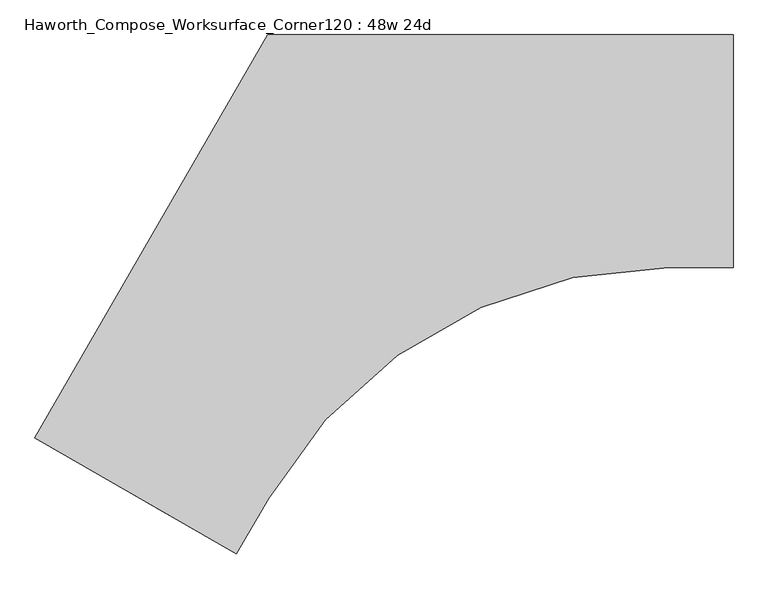
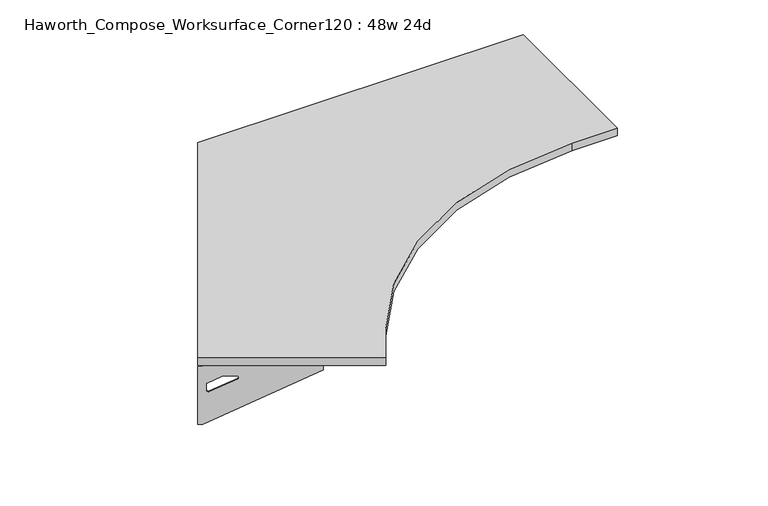
"""IFC4 building model written with IfcOpenShell, lengths in millimetres: furniture geometry, Haworth_Compose_Worksurface_Corner120 : 48w 24d."""

import ifcopenshell
import ifcopenshell.guid

model = None  # the IFC model being written
_history = None  # IfcOwnerHistory: only IFC2X3 demands one
_inside = {}  # id of a spatial element -> (the spatial element, [elements in it])
_under = {}  # id of a project, library or spatial element -> (it, [spatial elements below it])
_declared = {}  # id of a project -> (the project, [libraries it declares])
_typed = {}  # id of a type object -> (the type object, [elements of that type])
_made_of = {}  # id of a material, layer set ... -> (it, [elements and type objects made of it])


def new_model(schema):
    """Start an empty IFC model of exactly this schema.

    Asked for "IFC4X3", IfcOpenShell would pick the latest addendum, in which some entities
    have other attributes; the version numbers below select the first issue.
    IFC2X3 requires an IfcOwnerHistory on every rooted entity: one is made here for all.
    """
    global model, _history
    if schema == "IFC4X3":
        model = ifcopenshell.file(schema_version=(4, 3, 0, 0))
    else:
        model = ifcopenshell.file(schema=schema)
    _inside.clear()
    _under.clear()
    _declared.clear()
    _typed.clear()
    _made_of.clear()
    _history = None
    if model.schema == "IFC2X3":
        org = make("IfcOrganization", Name="unknown")
        user = make(
            "IfcPersonAndOrganization",
            ThePerson=make("IfcPerson", FamilyName="unknown"),
            TheOrganization=org,
        )
        app = make(
            "IfcApplication",
            ApplicationDeveloper=org,
            Version="unknown",
            ApplicationFullName="unknown",
            ApplicationIdentifier="unknown",
        )
        _history = make(
            "IfcOwnerHistory",
            OwningUser=user,
            OwningApplication=app,
            ChangeAction="ADDED",
            CreationDate=0,
        )
    return model


def make(cls, **values):
    """One entity of the class cls with the attributes given. An attribute that is None is left unset."""
    return model.create_entity(
        cls, **{name: value for name, value in values.items() if value is not None}
    )


def rooted(cls, **values):
    """An entity with a GlobalId (a new one), such as an element, a storey or a relation."""
    return make(cls, GlobalId=ifcopenshell.guid.new(), OwnerHistory=_history, **values)


def si_unit(unit_type, name, prefix=None):
    """IfcSIUnit, for example si_unit("LENGTHUNIT", "METRE", prefix="MILLI")."""
    return make("IfcSIUnit", UnitType=unit_type, Prefix=prefix, Name=name)


def assignment(units):
    """IfcUnitAssignment: the units of a project."""
    return None if units is None else make("IfcUnitAssignment", Units=units)


def point(xyz):
    """IfcCartesianPoint."""
    return None if xyz is None else make("IfcCartesianPoint", Coordinates=xyz)


def direction(xyz):
    """IfcDirection."""
    return None if xyz is None else make("IfcDirection", DirectionRatios=xyz)


def frame(location, z_axis=None, x_axis=None):
    """IfcAxis2Placement3D, a coordinate frame: its origin and axes. An axis left out is left unset."""
    return make(
        "IfcAxis2Placement3D",
        Location=point(location),
        Axis=direction(z_axis),
        RefDirection=direction(x_axis),
    )


def frame_2d(location, x_axis=None):
    """IfcAxis2Placement2D, a coordinate frame in the plane: its origin and x axis."""
    return make(
        "IfcAxis2Placement2D", Location=point(location), RefDirection=direction(x_axis)
    )


def origin():
    """The frame at (0, 0, 0) with its axes left unset."""
    return frame((0.0, 0.0, 0.0))


def place(relative_to, where):
    """IfcLocalPlacement: puts the frame where relative to a parent placement (None: the world)."""
    return make(
        "IfcLocalPlacement", PlacementRelTo=relative_to, RelativePlacement=where
    )


def context(
    kind, dimensions, precision=None, world=None, true_north=None, identifier=None
):
    """IfcGeometricRepresentationContext, for example the 3D "Model" context."""
    return make(
        "IfcGeometricRepresentationContext",
        ContextIdentifier=identifier,
        ContextType=kind,
        CoordinateSpaceDimension=dimensions,
        Precision=precision,
        WorldCoordinateSystem=world,
        TrueNorth=true_north,
    )


def project(units=None, contexts=None):
    """IfcProject with its units and contexts."""
    return rooted(
        "IfcProject",
        Name="project",
        RepresentationContexts=contexts,
        UnitsInContext=assignment(units),
    )


def spatial(cls, under=None, at=None, **own):
    """A site, building, storey or space (cls), placed at a placement, below another one or the project."""
    s = rooted(cls, ObjectPlacement=at, **own)
    if under is not None:
        _under.setdefault(under.id(), (under, []))[1].append(s)
    return s


def polyline(points):
    """IfcPolyline through the points."""
    return make("IfcPolyline", Points=[point(p) for p in points])


def circle_curve(where, radius):
    """IfcCircle in the frame where."""
    return make("IfcCircle", Position=where, Radius=radius)


def trimmed(basis, trim1, trim2, sense, master):
    """IfcTrimmedCurve: the piece of a basis curve between two trims."""
    return make(
        "IfcTrimmedCurve",
        BasisCurve=basis,
        Trim1=trim1,
        Trim2=trim2,
        SenseAgreement=sense,
        MasterRepresentation=master,
    )


def segment(curve, same_sense, transition):
    """IfcCompositeCurveSegment."""
    return make(
        "IfcCompositeCurveSegment",
        Transition=transition,
        SameSense=same_sense,
        ParentCurve=curve,
    )


def composite_curve(segments, self_intersect=None):
    """IfcCompositeCurve: segments joined end to end."""
    return make("IfcCompositeCurve", Segments=segments, SelfIntersect=self_intersect)


def outline(outer, holes=None, kind="AREA"):
    """IfcArbitraryClosedProfileDef: a profile drawn as a closed curve; with holes, ...WithVoids."""
    if holes is None:
        return make("IfcArbitraryClosedProfileDef", ProfileType=kind, OuterCurve=outer)
    return make(
        "IfcArbitraryProfileDefWithVoids",
        ProfileType=kind,
        OuterCurve=outer,
        InnerCurves=holes,
    )


def extrude(swept, where, along, depth):
    """IfcExtrudedAreaSolid: the profile swept, set in the frame where, extruded along a direction by depth."""
    return make(
        "IfcExtrudedAreaSolid",
        SweptArea=swept,
        Position=where,
        ExtrudedDirection=direction(along),
        Depth=depth,
    )


def shape(context_of_items, identifier, shape_type, items):
    """IfcShapeRepresentation: the items that make up one representation, for example the "Body"."""
    return make(
        "IfcShapeRepresentation",
        ContextOfItems=context_of_items,
        RepresentationIdentifier=identifier,
        RepresentationType=shape_type,
        Items=items,
    )


def source(mapping_origin, context_of_items, identifier, shape_type, items):
    """IfcRepresentationMap: a shape defined once, which mapped items show again and again."""
    return make(
        "IfcRepresentationMap",
        MappingOrigin=mapping_origin,
        MappedRepresentation=shape(context_of_items, identifier, shape_type, items),
    )


def transform(
    local_origin,
    x_axis=None,
    y_axis=None,
    z_axis=None,
    scale=None,
    scale2=None,
    scale3=None,
    uniform=True,
):
    """IfcCartesianTransformationOperator3D, or its non-uniform kind. x_axis, y_axis, z_axis: its Axis1, 2, 3."""
    if uniform:
        return make(
            "IfcCartesianTransformationOperator3D",
            Axis1=direction(x_axis),
            Axis2=direction(y_axis),
            LocalOrigin=point(local_origin),
            Scale=scale,
            Axis3=direction(z_axis),
        )
    return make(
        "IfcCartesianTransformationOperator3DnonUniform",
        Axis1=direction(x_axis),
        Axis2=direction(y_axis),
        LocalOrigin=point(local_origin),
        Scale=scale,
        Axis3=direction(z_axis),
        Scale2=scale2,
        Scale3=scale3,
    )


def mapped(mapping_source, mapping_target):
    """IfcMappedItem: shows the shape of a source again, moved by a transform."""
    return make(
        "IfcMappedItem", MappingSource=mapping_source, MappingTarget=mapping_target
    )


def made_of(thing, what):
    """Note that an element or type object is made of a material, layer set ...; save() writes the relation."""
    if what is not None:
        _made_of.setdefault(what.id(), (what, []))[1].append(thing)
    return thing


def element(
    cls,
    number,
    at=None,
    inside=None,
    cuts=None,
    type_object=None,
    material=None,
    context=None,
    identifier="Body",
    shape_type=None,
    held_by="IfcProductDefinitionShape",
    body=None,
    shapes=None,
    **own,
):
    """One element of the class cls, such as IfcWall. Its Tag is "e" and its number.

    at: its placement. inside: the storey or other place that contains it. cuts: it is an
    opening in that element (IfcRelVoidsElement). A single representation is given by context,
    identifier, shape_type and body (its items); several are given by shapes. held_by: the class
    of the entity that holds the representations. save() writes the other relations.
    """
    e = rooted(cls, Tag="e%d" % number, ObjectPlacement=at, **own)
    if body is not None:
        shapes = [shape(context, identifier, shape_type, body)]
    if shapes is not None:
        e.Representation = make(held_by, Representations=shapes)
    if inside is not None:
        _inside.setdefault(inside.id(), (inside, []))[1].append(e)
    if cuts is not None:
        rooted(
            "IfcRelVoidsElement", RelatingBuildingElement=cuts, RelatedOpeningElement=e
        )
    if type_object is not None:
        _typed.setdefault(type_object.id(), (type_object, []))[1].append(e)
    return made_of(e, material)


def aggregate(whole, parts):
    """IfcRelAggregates: a whole, such as a stair, and the parts it consists of."""
    return rooted("IfcRelAggregates", RelatingObject=whole, RelatedObjects=parts)


def save(model, path):
    """Write the relations noted so far, then the file.

    IfcRelAggregates (storeys below a building ...), IfcRelContainedInSpatialStructure (elements
    in a storey), IfcRelDefinesByType, IfcRelAssociatesMaterial and IfcRelDeclares: one each for
    every whole, place, type object, material and project.
    """
    for whole, parts in _under.values():
        aggregate(whole, parts)
    for where, things in _inside.values():
        rooted(
            "IfcRelContainedInSpatialStructure",
            RelatedElements=things,
            RelatingStructure=where,
        )
    for kind, things in _typed.values():
        rooted("IfcRelDefinesByType", RelatedObjects=things, RelatingType=kind)
    for what, things in _made_of.values():
        rooted("IfcRelAssociatesMaterial", RelatedObjects=things, RelatingMaterial=what)
    for by, libraries in _declared.values():
        rooted("IfcRelDeclares", RelatingContext=by, RelatedDefinitions=libraries)
    model.write(path)


def plane_surface(at):
    """IfcPlane: the flat surface through the origin of the frame at, square to its z axis."""
    return make("IfcPlane", Position=at)


def revolved_surface(curve, axis_point, axis_direction):
    """IfcSurfaceOfRevolution: the curve turned about the line through axis_point along axis_direction."""
    return make(
        "IfcSurfaceOfRevolution",
        SweptCurve=make("IfcArbitraryOpenProfileDef", ProfileType="CURVE", Curve=curve),
        AxisPosition=make("IfcAxis1Placement", Location=point(axis_point), Axis=direction(axis_direction)),
    )


def advanced_brep(points, edges, surfaces, faces):
    """IfcAdvancedBrep: a solid bounded by faces that lie on surfaces and meet in shared edges.

    An edge is (start, end): straight between two places in points (the first is 0);
    or (start, end, curve); or (start, end, curve, False) where it runs against its curve.
    A face is (place in surfaces, loops), or (place, loops, False) where it looks against
    its surface's normal. A loop lists edges by number (the first is 1), with a minus sign
    where the edge is run from its end to its start. The first loop is the outer one.
    """
    corners = [point(p) for p in points]
    vertices = [make("IfcVertexPoint", VertexGeometry=c) for c in corners]
    made = []
    for start, end, *more in edges:
        made.append(
            make(
                "IfcEdgeCurve",
                EdgeStart=vertices[start],
                EdgeEnd=vertices[end],
                EdgeGeometry=more[0] if more else make("IfcPolyline", Points=[corners[start], corners[end]]),
                SameSense=more[1] if len(more) > 1 else True,
            )
        )
    hull = []
    for where, loops, *sense in faces:
        bounds = []
        for j, loop in enumerate(loops):
            ring = [make("IfcOrientedEdge", EdgeElement=made[abs(k) - 1], Orientation=k > 0) for k in loop]
            bounds.append(
                make(
                    "IfcFaceOuterBound" if j == 0 else "IfcFaceBound",
                    Bound=make("IfcEdgeLoop", EdgeList=ring),
                    Orientation=True,
                )
            )
        hull.append(make("IfcAdvancedFace", Bounds=bounds, FaceSurface=surfaces[where], SameSense=sense[0] if sense else True))
    return make("IfcAdvancedBrep", Outer=make("IfcClosedShell", CfsFaces=hull))


def haworth_compose_worksurface_corner120_48w_24d_91adaca6(model_context):
    return source(origin(), model_context, "Body", "SolidModel", [
        advanced_brep(
        [(454.81875, 304.8, 473.86875), (454.81875, 288.925, 473.86875), (454.81875, -101.6, 690.1317568), (454.81875, -101.6, 702.46875), (454.81875, 288.925, 702.46875), (454.81875, 304.8, 702.46875), (454.81875, 221.490072, 664.36875), (454.81875, 177.8355284, 664.36875), (454.81875, 175.1564235, 654.7830539), (454.81875, 266.8776173, 603.9901439), (454.81875, 276.225, 609.5881969), (454.81875, 276.225, 633.0985246), (454.81875, 274.4730055, 635.9367776), (454.81875, 224.5663437, 663.5738425), (457.2, 304.8, 473.86875), (457.2, 304.8, 702.46875), (457.2, 288.925, 702.46875), (457.2, 288.925, 704.85), (457.2, -101.6, 704.85), (457.2, -101.6, 690.1317568), (457.2, 288.925, 473.86875), (457.2, 221.490072, 664.36875), (457.2, 224.5663437, 663.5738425), (457.2, 274.4730055, 635.9367776), (457.2, 276.225, 633.0985246), (457.2, 276.225, 609.5881969), (457.2, 266.8776173, 603.9901439), (457.2, 175.1564235, 654.7830539), (457.2, 177.8355284, 664.36875), (415.925, -101.6, 704.85), (415.925, -101.6, 702.46875), (415.925, 288.925, 702.46875), (415.925, 288.925, 704.85)],
        [
            (0, 1),
            (1, 2),
            (2, 3),
            (3, 4),
            (4, 5),
            (5, 0),
            (6, 7),
            (7, 8, circle_curve(frame((454.81875, 177.8355284, 659.2015106), z_axis=(1.0, 0.0, 0.0), x_axis=(0.0, -1.0, 0.0)), 5.1672394)),
            (8, 9),
            (9, 10, circle_curve(frame((454.81875, 269.875, 609.5881969), z_axis=(1.0, 0.0, 0.0), x_axis=(0.0, -1.0, 0.0)), 6.35)),
            (10, 11),
            (11, 12, circle_curve(frame((454.81875, 273.05, 633.0985246), z_axis=(1.0, 0.0, 0.0), x_axis=(0.0, -1.0, 0.0)), 3.175)),
            (12, 13),
            (13, 6, circle_curve(frame((454.81875, 221.490072, 658.01875), z_axis=(1.0, 0.0, 0.0), x_axis=(0.0, -1.0, 0.0)), 6.35)),
            (14, 15),
            (15, 16),
            (16, 17),
            (17, 18),
            (18, 19),
            (19, 20),
            (20, 14),
            (21, 22, circle_curve(frame((457.2, 221.490072, 658.01875), z_axis=(-1.0, 0.0, 0.0), x_axis=(0.0, -1.0, 0.0)), 6.35)),
            (22, 23),
            (23, 24, circle_curve(frame((457.2, 273.05, 633.0985246), z_axis=(-1.0, 0.0, 0.0), x_axis=(0.0, -1.0, 0.0)), 3.175)),
            (24, 25),
            (25, 26, circle_curve(frame((457.2, 269.875, 609.5881969), z_axis=(-1.0, 0.0, 0.0), x_axis=(0.0, -1.0, 0.0)), 6.35)),
            (26, 27),
            (27, 28, circle_curve(frame((457.2, 177.8355284, 659.2015106), z_axis=(-1.0, 0.0, 0.0), x_axis=(0.0, -1.0, 0.0)), 5.1672394)),
            (28, 21),
            (4, 16),
            (15, 5),
            (14, 0),
            (20, 1),
            (19, 2),
            (18, 29),
            (29, 30),
            (30, 3),
            (6, 21),
            (28, 7),
            (9, 26),
            (25, 10),
            (24, 11),
            (23, 12),
            (27, 8),
            (31, 4),
            (30, 31),
            (32, 29),
            (17, 32),
            (31, 32),
            (22, 13),
        ],
        [
            plane_surface(frame((454.81875, 304.8, 473.86875), z_axis=(-1.0, 0.0, 0.0), x_axis=(0.0, 1.0, 0.0))),
            plane_surface(frame((457.2, 304.8, 473.86875), z_axis=(1.0, 0.0, 0.0), x_axis=(0.0, -1.0, 0.0))),
            plane_surface(frame((457.2, -101.6, 702.46875), z_axis=(0.0, 0.0, 1.0), x_axis=(-1.0, 0.0, 0.0))),
            plane_surface(frame((457.2, 304.8, 702.46875), z_axis=(0.0, 1.0, 0.0), x_axis=(-1.0, 0.0, 0.0))),
            plane_surface(frame((457.2, 304.8, 473.86875), z_axis=(0.0, 0.0, -1.0), x_axis=(-1.0, 0.0, 0.0))),
            plane_surface(frame((457.2, 288.925, 473.86875), z_axis=(0.0, -0.4844522351345575, -0.8748177135112957), x_axis=(-1.0, 0.0, 0.0))),
            plane_surface(frame((457.2, -101.6, 690.1317568), z_axis=(0.0, -1.0, 0.0), x_axis=(-1.0, 0.0, 0.0))),
            plane_surface(frame((457.2, 221.490072, 664.36875), z_axis=(0.0, 0.0, -1.0), x_axis=(-1.0, 0.0, 0.0))),
            revolved_surface(polyline([(454.81875, 263.525, 609.5881969), (457.2, 263.525, 609.5881969)]), (457.2, 269.875, 609.5881969), (-1.0, 0.0, 0.0)),
            plane_surface(frame((457.2, 276.225, 609.5881969), z_axis=(0.0, -1.0, 0.0), x_axis=(-1.0, 0.0, 0.0))),
            revolved_surface(polyline([(454.81875, 269.875, 633.0985246), (457.2, 269.875, 633.0985246)]), (457.2, 273.05, 633.0985246), (-1.0, 0.0, 0.0)),
            revolved_surface(polyline([(454.81875, 172.668289, 659.2015106), (457.2, 172.668289, 659.2015106)]), (457.2, 177.8355284, 659.2015106), (-1.0, 0.0, 0.0)),
            plane_surface(frame((457.2, 288.925, 702.46875), z_axis=(0.0, 0.0, -1.0), x_axis=(-1.0, 0.0, 0.0))),
            plane_surface(frame((457.2, 288.925, 704.85), z_axis=(0.0, 0.0, 1.0), x_axis=(1.0, 0.0, 0.0))),
            plane_surface(frame((415.925, 288.925, 704.85), z_axis=(0.0, 1.0, 0.0), x_axis=(0.0, 0.0, -1.0))),
            plane_surface(frame((415.925, -101.6, 704.85), z_axis=(-1.0, 0.0, 0.0), x_axis=(0.0, 0.0, -1.0))),
            plane_surface(frame((457.2, 175.1564235, 654.7830539), z_axis=(0.0, 0.4844522351341526, 0.8748177135115199), x_axis=(-1.0, 0.0, 0.0))),
            plane_surface(frame((457.2, 274.4730055, 635.9367776), z_axis=(0.0, -0.48445223513456226, -0.874817713511293), x_axis=(-1.0, 0.0, 0.0))),
            revolved_surface(polyline([(454.81875, 215.140072, 658.01875), (457.2, 215.140072, 658.01875)]), (457.2, 221.490072, 658.01875), (-1.0, 0.0, 0.0)),
        ],
        [
            (0, [[1, 2, 3, 4, 5, 6], [7, 8, 9, 10, 11, 12, 13, 14]]),
            (1, [[15, 16, 17, 18, 19, 20, 21], [22, 23, 24, 25, 26, 27, 28, 29]]),
            (2, [[-5, 30, -16, 31]]),
            (3, [[-31, -15, 32, -6]]),
            (4, [[-32, -21, 33, -1]]),
            (5, [[-33, -20, 34, -2]]),
            (6, [[-34, -19, 35, 36, 37, -3]]),
            (7, [[38, -29, 39, -7]]),
            (8, [[40, -26, 41, -10]]),
            (9, [[-41, -25, 42, -11]]),
            (10, [[-42, -24, 43, -12]]),
            (11, [[-39, -28, 44, -8]]),
            (12, [[45, -4, -37, 46]]),
            (13, [[47, -35, -18, 48]]),
            (14, [[-17, -30, -45, 49, -48]]),
            (15, [[-36, -47, -49, -46]]),
            (16, [[-44, -27, -40, -9]]),
            (17, [[-43, -23, 50, -13]]),
            (18, [[-50, -22, -38, -14]]),
        ],
    ),
        advanced_brep(
        [(-1370.409375, -748.9959493, 473.86875), (-1370.409375, -748.9959493, 702.46875), (-1356.6612217, -756.9334493, 702.46875), (-1018.4566509, -952.1959493, 702.46875), (-1018.4566509, -952.1959493, 690.1317568), (-1356.6612217, -756.9334493, 473.86875), (-1298.260861, -790.6509133, 664.36875), (-1300.9249904, -789.1127775, 663.5738425), (-1344.1454274, -764.1594465, 635.9367776), (-1345.6626991, -763.2834493, 633.0985246), (-1345.6626991, -763.2834493, 609.5881969), (-1337.5676282, -767.9571406, 603.9901439), (-1258.1347443, -813.8177376, 654.7830539), (-1260.4549172, -812.4781851, 664.36875), (-1371.6, -751.0581723, 473.86875), (-1357.8518467, -758.9956723, 473.86875), (-1019.6472759, -954.2581723, 690.1317568), (-1019.6472759, -954.2581723, 704.85), (-1357.8518467, -758.9956723, 704.85), (-1357.8518467, -758.9956723, 702.46875), (-1371.6, -751.0581723, 702.46875), (-1299.451486, -792.7131363, 664.36875), (-1261.6455422, -814.5404081, 664.36875), (-1259.3253693, -815.8799606, 654.7830539), (-1338.7582532, -770.0193636, 603.9901439), (-1346.8533241, -765.3456723, 609.5881969), (-1346.8533241, -765.3456723, 633.0985246), (-1345.3360524, -766.2216695, 635.9367776), (-1302.1156154, -791.1750004, 663.5738425), (-999.0097759, -918.5129738, 702.46875), (-999.0097759, -918.5129738, 704.85), (-1337.2143467, -723.2504738, 702.46875), (-1337.2143467, -723.2504738, 704.85)],
        [
            (0, 1),
            (1, 2),
            (2, 3),
            (3, 4),
            (4, 5),
            (5, 0),
            (6, 7, circle_curve(frame((-1298.260861, -790.6509133, 658.01875), z_axis=(-0.5000000000000026, -0.8660254037844374, 0.0), x_axis=(0.8660254037844372, -0.5000000000000024, 0.0)), 6.35)),
            (7, 8),
            (8, 9, circle_curve(frame((-1342.9130684, -764.8709493, 633.0985246), z_axis=(-0.5000000000000026, -0.8660254037844374, 0.0), x_axis=(0.8660254037844372, -0.5000000000000024, 0.0)), 3.175)),
            (9, 10),
            (10, 11, circle_curve(frame((-1340.1634378, -766.4584493, 609.5881969), z_axis=(-0.5000000000000026, -0.8660254037844374, 0.0), x_axis=(0.8660254037844372, -0.5000000000000024, 0.0)), 6.35)),
            (11, 12),
            (12, 13, circle_curve(frame((-1260.4549172, -812.4781851, 659.2015106), z_axis=(-0.5000000000000026, -0.8660254037844374, 0.0), x_axis=(0.8660254037844372, -0.5000000000000024, 0.0)), 5.1672394)),
            (13, 6),
            (14, 15),
            (15, 16),
            (16, 17),
            (17, 18),
            (18, 19),
            (19, 20),
            (20, 14),
            (21, 22),
            (22, 23, circle_curve(frame((-1261.6455422, -814.5404081, 659.2015106), z_axis=(0.5000000000000026, 0.8660254037844374, 0.0), x_axis=(0.8660254037844372, -0.5000000000000024, 0.0)), 5.1672394)),
            (23, 24),
            (24, 25, circle_curve(frame((-1341.3540628, -768.5206723, 609.5881969), z_axis=(0.5000000000000026, 0.8660254037844374, 0.0), x_axis=(0.8660254037844372, -0.5000000000000024, 0.0)), 6.35)),
            (25, 26),
            (26, 27, circle_curve(frame((-1344.1036934, -766.9331723, 633.0985246), z_axis=(0.5000000000000026, 0.8660254037844374, 0.0), x_axis=(0.8660254037844372, -0.5000000000000024, 0.0)), 3.175)),
            (27, 28),
            (28, 21, circle_curve(frame((-1299.451486, -792.7131363, 658.01875), z_axis=(0.5000000000000026, 0.8660254037844374, 0.0), x_axis=(0.8660254037844372, -0.5000000000000024, 0.0)), 6.35)),
            (1, 20),
            (19, 2),
            (0, 14),
            (5, 15),
            (4, 16),
            (3, 29),
            (29, 30),
            (30, 17),
            (13, 22),
            (21, 6),
            (10, 25),
            (24, 11),
            (9, 26),
            (8, 27),
            (12, 23),
            (31, 29),
            (2, 31),
            (32, 18),
            (30, 32),
            (32, 31),
            (7, 28),
        ],
        [
            plane_surface(frame((-1370.409375, -748.9959493, 473.86875), z_axis=(0.5000000000000026, 0.8660254037844373, 0.0), x_axis=(-0.8660254037844373, 0.5000000000000026, 0.0))),
            plane_surface(frame((-1371.6, -751.0581723, 473.86875), z_axis=(-0.5000000000000026, -0.8660254037844373, 0.0), x_axis=(0.8660254037844373, -0.5000000000000026, 0.0))),
            plane_surface(frame((-1019.6472759, -954.2581723, 702.46875), z_axis=(0.0, 0.0, 1.0), x_axis=(0.5000000000000011, 0.866025403784438, 0.0))),
            plane_surface(frame((-1371.6, -751.0581723, 702.46875), z_axis=(-0.866025403784438, 0.5000000000000011, 0.0), x_axis=(0.5000000000000011, 0.866025403784438, 0.0))),
            plane_surface(frame((-1371.6, -751.0581723, 473.86875), z_axis=(0.0, 0.0, -1.0), x_axis=(0.5000000000000011, 0.866025403784438, 0.0))),
            plane_surface(frame((-1357.8518467, -758.9956723, 473.86875), z_axis=(0.41954794254667943, -0.24222611756727808, -0.8748177135112957), x_axis=(0.5000000000000011, 0.866025403784438, 0.0))),
            plane_surface(frame((-1019.6472759, -954.2581723, 690.1317568), z_axis=(0.866025403784438, -0.5000000000000011, 0.0), x_axis=(0.5000000000000011, 0.866025403784438, 0.0))),
            plane_surface(frame((-1299.451486, -792.7131363, 664.36875), z_axis=(0.0, 0.0, -1.0), x_axis=(0.5000000000000011, 0.866025403784438, 0.0))),
            revolved_surface(polyline([(-1334.66417645195, -769.6334492483159, 609.5881969), (-1335.854801485969, -771.6956723000001, 609.5881969)]), (-1341.3540628, -768.5206723, 609.5881969), (0.5000000000000024, 0.8660254037844372, 0.0)),
            plane_surface(frame((-1346.8533241, -765.3456723, 609.5881969), z_axis=(0.866025403784438, -0.5000000000000011, 0.0), x_axis=(0.5000000000000011, 0.866025403784438, 0.0))),
            revolved_surface(polyline([(-1340.1634377398502, -766.4584493018095, 633.0985246), (-1341.3540627537307, -768.5206723186128, 633.0985246)]), (-1344.1036934, -766.9331723, 633.0985246), (0.5000000000000024, 0.8660254037844372, 0.0)),
            revolved_surface(polyline([(-1255.9799566090298, -815.0618048018096, 659.2015106), (-1257.1705816345157, -817.1240278387139, 659.2015106)]), (-1261.6455422, -814.5404081, 659.2015106), (0.5000000000000024, 0.8660254037844372, 0.0)),
            plane_surface(frame((-1357.8518467, -758.9956723, 702.46875), z_axis=(0.0, 0.0, -1.0), x_axis=(0.5000000000000011, 0.866025403784438, 0.0))),
            plane_surface(frame((-1357.8518467, -758.9956723, 704.85), z_axis=(0.0, 0.0, 1.0), x_axis=(-0.5000000000000011, -0.866025403784438, 0.0))),
            plane_surface(frame((-1337.2143467, -723.2504738, 704.85), z_axis=(-0.866025403784438, 0.5000000000000011, 0.0), x_axis=(0.0, 0.0, -1.0))),
            plane_surface(frame((-999.0097759, -918.5129738, 704.85), z_axis=(0.5000000000000011, 0.866025403784438, 0.0), x_axis=(0.0, 0.0, -1.0))),
            plane_surface(frame((-1259.3253693, -815.8799606, 654.7830539), z_axis=(-0.41954794254632877, 0.24222611756707563, 0.87481771351152), x_axis=(0.5000000000000011, 0.866025403784438, 0.0))),
            plane_surface(frame((-1345.3360524, -766.2216695, 635.9367776), z_axis=(0.4195479425466836, -0.24222611756728046, -0.874817713511293), x_axis=(0.5000000000000011, 0.866025403784438, 0.0))),
            revolved_surface(polyline([(-1292.7615996828345, -793.8259133018096, 658.01875), (-1293.9522246859688, -795.8881363, 658.01875)]), (-1299.451486, -792.7131363, 658.01875), (0.5000000000000024, 0.8660254037844372, 0.0)),
        ],
        [
            (0, [[1, 2, 3, 4, 5, 6], [7, 8, 9, 10, 11, 12, 13, 14]]),
            (1, [[15, 16, 17, 18, 19, 20, 21], [22, 23, 24, 25, 26, 27, 28, 29]]),
            (2, [[30, -20, 31, -2]]),
            (3, [[-1, 32, -21, -30]]),
            (4, [[-6, 33, -15, -32]]),
            (5, [[-5, 34, -16, -33]]),
            (6, [[-4, 35, 36, 37, -17, -34]]),
            (7, [[-14, 38, -22, 39]]),
            (8, [[-11, 40, -25, 41]]),
            (9, [[-10, 42, -26, -40]]),
            (10, [[-9, 43, -27, -42]]),
            (11, [[-13, 44, -23, -38]]),
            (12, [[45, -35, -3, 46]]),
            (13, [[47, -18, -37, 48]]),
            (14, [[-47, 49, -46, -31, -19]]),
            (15, [[-45, -49, -48, -36]]),
            (16, [[-12, -41, -24, -44]]),
            (17, [[-8, 50, -28, -43]]),
            (18, [[-7, -39, -29, -50]]),
        ],
    ),
        extrude(outline(composite_curve([segment(polyline([(-1371.6, -751.0581723), (-762.0, 304.8), (457.2, 304.8), (457.2, -304.8), (288.358911, -304.8)]), True, "CONTINUOUS"), segment(trimmed(circle_curve(frame_2d((288.358911, -1514.475)), 1209.675), [point((288.358911, -304.8))], [point((-759.2503693, -909.6375))], True, "CARTESIAN"), True, "CONTINUOUS"), segment(polyline([(-759.2503693, -909.6375), (-843.6709139, -1055.8581723), (-1371.6, -751.0581723)]), True, "CONTINUOUS")], self_intersect=False)), frame((0.0, 0.0, 706.4375), z_axis=(0.0, 0.0, 1.0), x_axis=(1.0, 0.0, 0.0)), (0.0, 0.0, 1.0), 30.1625),
    ])


if __name__ == "__main__":
    model = new_model("IFC4")
    model_context = context("Model", 3, world=origin())
    ifc_project = project(units=[si_unit("LENGTHUNIT", "METRE", prefix="MILLI")], contexts=[model_context])
    site = spatial("IfcSite", under=ifc_project)
    building = spatial("IfcBuilding", under=site)
    placement = place(None, origin())
    haworth_compose_worksurface_corner120_48w_24d_shape = haworth_compose_worksurface_corner120_48w_24d_91adaca6(model_context)
    element("IfcFurniture", 1, ObjectType="Haworth_Compose_Worksurface_Corner120 : 48w 24d", at=placement, inside=building, context=model_context, shape_type="MappedRepresentation", body=[
        mapped(haworth_compose_worksurface_corner120_48w_24d_shape, transform((0.0, 0.0, 0.0), x_axis=(1.0, 0.0, 0.0), y_axis=(0.0, 1.0, 0.0), z_axis=(0.0, 0.0, 1.0))),
    ])
    save(model, "model.ifc")
